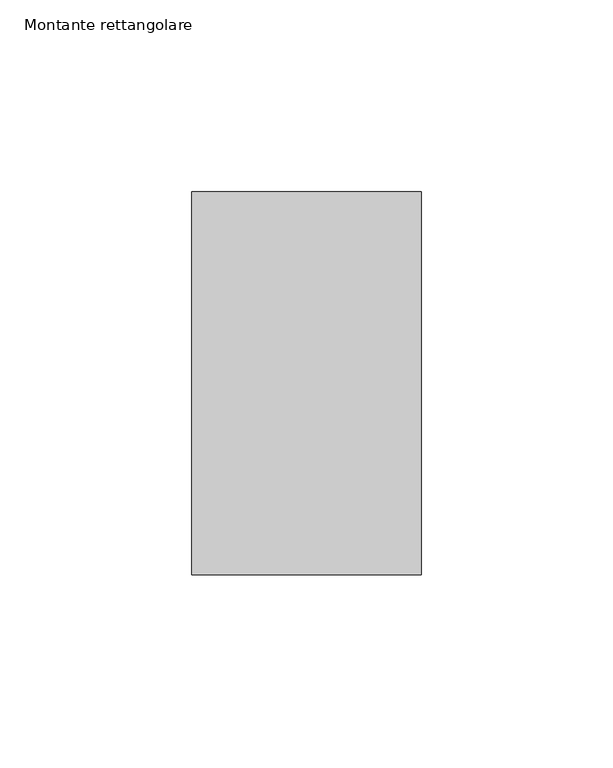
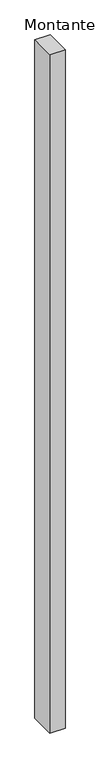
"""IFC4 building model written with IfcOpenShell, lengths in millimetres: member geometry, Montante rettangolare."""

from ifc_helpers import new_model, si_unit, frame, origin, place, context, project, spatial, polyline, outline, extrude, source, transform, mapped, element, save


def montante_rettangolare_39295273(model_context):
    return source(origin(), model_context, "Body", "SweptSolid", [
        extrude(outline(polyline([(30.0, 50.0), (30.0, -50.0), (-30.0, -50.0), (-30.0, 50.0), (30.0, 50.0)])), frame((0.0, 0.0, -2800.0), z_axis=(0.0, 0.0, 1.0), x_axis=(1.0, 0.0, 0.0)), (0.0, 0.0, 1.0), 2800.0),
    ])


if __name__ == "__main__":
    model = new_model("IFC4")
    model_context = context("Model", 3, world=origin())
    ifc_project = project(units=[si_unit("LENGTHUNIT", "METRE", prefix="MILLI")], contexts=[model_context])
    site = spatial("IfcSite", under=ifc_project)
    building = spatial("IfcBuilding", under=site)
    placement = place(None, origin())
    montante_rettangolare_shape = montante_rettangolare_39295273(model_context)
    element("IfcMember", 1, ObjectType="Montante rettangolare", at=placement, inside=building, context=model_context, shape_type="MappedRepresentation", body=[
        mapped(montante_rettangolare_shape, transform((0.0, 0.0, 0.0), x_axis=(1.0, 0.0, 0.0), y_axis=(0.0, 1.0, 0.0), z_axis=(0.0, 0.0, 1.0))),
    ])
    save(model, "model.ifc")
